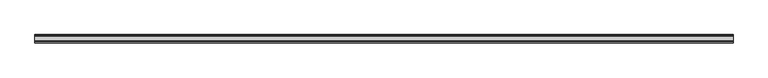
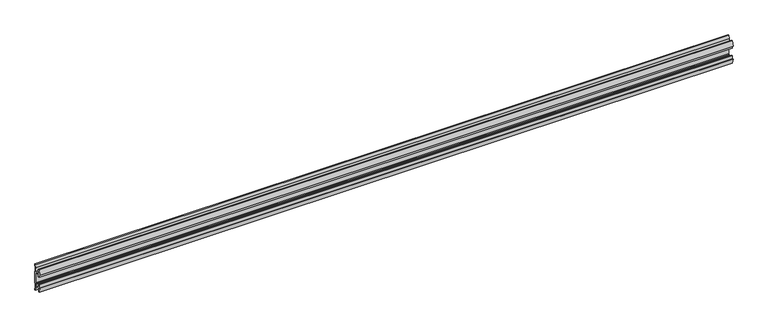
"""IFC4 building model written with IfcOpenShell, lengths in millimetres: furniture geometry."""

import ifcopenshell
import ifcopenshell.guid

model = None  # the IFC model being written
_history = None  # IfcOwnerHistory: only IFC2X3 demands one
_inside = {}  # id of a spatial element -> (the spatial element, [elements in it])
_under = {}  # id of a project, library or spatial element -> (it, [spatial elements below it])
_declared = {}  # id of a project -> (the project, [libraries it declares])
_typed = {}  # id of a type object -> (the type object, [elements of that type])
_made_of = {}  # id of a material, layer set ... -> (it, [elements and type objects made of it])


def new_model(schema):
    """Start an empty IFC model of exactly this schema.

    Asked for "IFC4X3", IfcOpenShell would pick the latest addendum, in which some entities
    have other attributes; the version numbers below select the first issue.
    IFC2X3 requires an IfcOwnerHistory on every rooted entity: one is made here for all.
    """
    global model, _history
    if schema == "IFC4X3":
        model = ifcopenshell.file(schema_version=(4, 3, 0, 0))
    else:
        model = ifcopenshell.file(schema=schema)
    _inside.clear()
    _under.clear()
    _declared.clear()
    _typed.clear()
    _made_of.clear()
    _history = None
    if model.schema == "IFC2X3":
        org = make("IfcOrganization", Name="unknown")
        user = make(
            "IfcPersonAndOrganization",
            ThePerson=make("IfcPerson", FamilyName="unknown"),
            TheOrganization=org,
        )
        app = make(
            "IfcApplication",
            ApplicationDeveloper=org,
            Version="unknown",
            ApplicationFullName="unknown",
            ApplicationIdentifier="unknown",
        )
        _history = make(
            "IfcOwnerHistory",
            OwningUser=user,
            OwningApplication=app,
            ChangeAction="ADDED",
            CreationDate=0,
        )
    return model


def make(cls, **values):
    """One entity of the class cls with the attributes given. An attribute that is None is left unset."""
    return model.create_entity(
        cls, **{name: value for name, value in values.items() if value is not None}
    )


def rooted(cls, **values):
    """An entity with a GlobalId (a new one), such as an element, a storey or a relation."""
    return make(cls, GlobalId=ifcopenshell.guid.new(), OwnerHistory=_history, **values)


def si_unit(unit_type, name, prefix=None):
    """IfcSIUnit, for example si_unit("LENGTHUNIT", "METRE", prefix="MILLI")."""
    return make("IfcSIUnit", UnitType=unit_type, Prefix=prefix, Name=name)


def assignment(units):
    """IfcUnitAssignment: the units of a project."""
    return None if units is None else make("IfcUnitAssignment", Units=units)


def point(xyz):
    """IfcCartesianPoint."""
    return None if xyz is None else make("IfcCartesianPoint", Coordinates=xyz)


def direction(xyz):
    """IfcDirection."""
    return None if xyz is None else make("IfcDirection", DirectionRatios=xyz)


def frame(location, z_axis=None, x_axis=None):
    """IfcAxis2Placement3D, a coordinate frame: its origin and axes. An axis left out is left unset."""
    return make(
        "IfcAxis2Placement3D",
        Location=point(location),
        Axis=direction(z_axis),
        RefDirection=direction(x_axis),
    )


def frame_2d(location, x_axis=None):
    """IfcAxis2Placement2D, a coordinate frame in the plane: its origin and x axis."""
    return make(
        "IfcAxis2Placement2D", Location=point(location), RefDirection=direction(x_axis)
    )


def origin():
    """The frame at (0, 0, 0) with its axes left unset."""
    return frame((0.0, 0.0, 0.0))


def place(relative_to, where):
    """IfcLocalPlacement: puts the frame where relative to a parent placement (None: the world)."""
    return make(
        "IfcLocalPlacement", PlacementRelTo=relative_to, RelativePlacement=where
    )


def context(
    kind, dimensions, precision=None, world=None, true_north=None, identifier=None
):
    """IfcGeometricRepresentationContext, for example the 3D "Model" context."""
    return make(
        "IfcGeometricRepresentationContext",
        ContextIdentifier=identifier,
        ContextType=kind,
        CoordinateSpaceDimension=dimensions,
        Precision=precision,
        WorldCoordinateSystem=world,
        TrueNorth=true_north,
    )


def project(units=None, contexts=None):
    """IfcProject with its units and contexts."""
    return rooted(
        "IfcProject",
        Name="project",
        RepresentationContexts=contexts,
        UnitsInContext=assignment(units),
    )


def spatial(cls, under=None, at=None, **own):
    """A site, building, storey or space (cls), placed at a placement, below another one or the project."""
    s = rooted(cls, ObjectPlacement=at, **own)
    if under is not None:
        _under.setdefault(under.id(), (under, []))[1].append(s)
    return s


def polyline(points):
    """IfcPolyline through the points."""
    return make("IfcPolyline", Points=[point(p) for p in points])


def circle_curve(where, radius):
    """IfcCircle in the frame where."""
    return make("IfcCircle", Position=where, Radius=radius)


def trimmed(basis, trim1, trim2, sense, master):
    """IfcTrimmedCurve: the piece of a basis curve between two trims."""
    return make(
        "IfcTrimmedCurve",
        BasisCurve=basis,
        Trim1=trim1,
        Trim2=trim2,
        SenseAgreement=sense,
        MasterRepresentation=master,
    )


def segment(curve, same_sense, transition):
    """IfcCompositeCurveSegment."""
    return make(
        "IfcCompositeCurveSegment",
        Transition=transition,
        SameSense=same_sense,
        ParentCurve=curve,
    )


def composite_curve(segments, self_intersect=None):
    """IfcCompositeCurve: segments joined end to end."""
    return make("IfcCompositeCurve", Segments=segments, SelfIntersect=self_intersect)


def outline(outer, holes=None, kind="AREA"):
    """IfcArbitraryClosedProfileDef: a profile drawn as a closed curve; with holes, ...WithVoids."""
    if holes is None:
        return make("IfcArbitraryClosedProfileDef", ProfileType=kind, OuterCurve=outer)
    return make(
        "IfcArbitraryProfileDefWithVoids",
        ProfileType=kind,
        OuterCurve=outer,
        InnerCurves=holes,
    )


def extrude(swept, where, along, depth):
    """IfcExtrudedAreaSolid: the profile swept, set in the frame where, extruded along a direction by depth."""
    return make(
        "IfcExtrudedAreaSolid",
        SweptArea=swept,
        Position=where,
        ExtrudedDirection=direction(along),
        Depth=depth,
    )


def shape(context_of_items, identifier, shape_type, items):
    """IfcShapeRepresentation: the items that make up one representation, for example the "Body"."""
    return make(
        "IfcShapeRepresentation",
        ContextOfItems=context_of_items,
        RepresentationIdentifier=identifier,
        RepresentationType=shape_type,
        Items=items,
    )


def source(mapping_origin, context_of_items, identifier, shape_type, items):
    """IfcRepresentationMap: a shape defined once, which mapped items show again and again."""
    return make(
        "IfcRepresentationMap",
        MappingOrigin=mapping_origin,
        MappedRepresentation=shape(context_of_items, identifier, shape_type, items),
    )


def transform(
    local_origin,
    x_axis=None,
    y_axis=None,
    z_axis=None,
    scale=None,
    scale2=None,
    scale3=None,
    uniform=True,
):
    """IfcCartesianTransformationOperator3D, or its non-uniform kind. x_axis, y_axis, z_axis: its Axis1, 2, 3."""
    if uniform:
        return make(
            "IfcCartesianTransformationOperator3D",
            Axis1=direction(x_axis),
            Axis2=direction(y_axis),
            LocalOrigin=point(local_origin),
            Scale=scale,
            Axis3=direction(z_axis),
        )
    return make(
        "IfcCartesianTransformationOperator3DnonUniform",
        Axis1=direction(x_axis),
        Axis2=direction(y_axis),
        LocalOrigin=point(local_origin),
        Scale=scale,
        Axis3=direction(z_axis),
        Scale2=scale2,
        Scale3=scale3,
    )


def mapped(mapping_source, mapping_target):
    """IfcMappedItem: shows the shape of a source again, moved by a transform."""
    return make(
        "IfcMappedItem", MappingSource=mapping_source, MappingTarget=mapping_target
    )


def made_of(thing, what):
    """Note that an element or type object is made of a material, layer set ...; save() writes the relation."""
    if what is not None:
        _made_of.setdefault(what.id(), (what, []))[1].append(thing)
    return thing


def element(
    cls,
    number,
    at=None,
    inside=None,
    cuts=None,
    type_object=None,
    material=None,
    context=None,
    identifier="Body",
    shape_type=None,
    held_by="IfcProductDefinitionShape",
    body=None,
    shapes=None,
    **own,
):
    """One element of the class cls, such as IfcWall. Its Tag is "e" and its number.

    at: its placement. inside: the storey or other place that contains it. cuts: it is an
    opening in that element (IfcRelVoidsElement). A single representation is given by context,
    identifier, shape_type and body (its items); several are given by shapes. held_by: the class
    of the entity that holds the representations. save() writes the other relations.
    """
    e = rooted(cls, Tag="e%d" % number, ObjectPlacement=at, **own)
    if body is not None:
        shapes = [shape(context, identifier, shape_type, body)]
    if shapes is not None:
        e.Representation = make(held_by, Representations=shapes)
    if inside is not None:
        _inside.setdefault(inside.id(), (inside, []))[1].append(e)
    if cuts is not None:
        rooted(
            "IfcRelVoidsElement", RelatingBuildingElement=cuts, RelatedOpeningElement=e
        )
    if type_object is not None:
        _typed.setdefault(type_object.id(), (type_object, []))[1].append(e)
    return made_of(e, material)


def aggregate(whole, parts):
    """IfcRelAggregates: a whole, such as a stair, and the parts it consists of."""
    return rooted("IfcRelAggregates", RelatingObject=whole, RelatedObjects=parts)


def save(model, path):
    """Write the relations noted so far, then the file.

    IfcRelAggregates (storeys below a building ...), IfcRelContainedInSpatialStructure (elements
    in a storey), IfcRelDefinesByType, IfcRelAssociatesMaterial and IfcRelDeclares: one each for
    every whole, place, type object, material and project.
    """
    for whole, parts in _under.values():
        aggregate(whole, parts)
    for where, things in _inside.values():
        rooted(
            "IfcRelContainedInSpatialStructure",
            RelatedElements=things,
            RelatingStructure=where,
        )
    for kind, things in _typed.values():
        rooted("IfcRelDefinesByType", RelatedObjects=things, RelatingType=kind)
    for what, things in _made_of.values():
        rooted("IfcRelAssociatesMaterial", RelatedObjects=things, RelatingMaterial=what)
    for by, libraries in _declared.values():
        rooted("IfcRelDeclares", RelatingContext=by, RelatedDefinitions=libraries)
    model.write(path)


def furniture_2748f485(model_context):
    return source(origin(), model_context, "Body", "SweptSolid", [
        extrude(outline(composite_curve([segment(polyline([(11.858323, 1787.0845986), (10.7166987, 1781.1251626)]), True, "CONTINUOUS"), segment(trimmed(circle_curve(frame_2d((88.1501042, 1766.291568)), 78.8414093), [point((10.7166987, 1781.1251626))], [point((9.4546262, 1771.0863112))], True, "CARTESIAN"), True, "CONTINUOUS"), segment(polyline([(9.4546262, 1771.0863112), (11.4773198, 1769.0636177), (11.4773198, 1736.1363823), (9.4546262, 1734.1136888)]), True, "CONTINUOUS"), segment(trimmed(circle_curve(frame_2d((88.1501042, 1738.908432)), 78.8414093), [point((9.4546262, 1734.1136888))], [point((10.7166987, 1724.0748374))], True, "CARTESIAN"), True, "CONTINUOUS"), segment(polyline([(10.7166987, 1724.0748374), (11.858323, 1718.1154014), (11.858323, 1714.5006449), (9.3183016, 1714.5006449), (7.5671861, 1723.641709), (6.9977776, 1730.3354675), (-5.9218281, 1730.3354675), (-5.9218281, 1719.7705449), (-8.4618484, 1719.7705449), (-11.7914971, 1733.2790462), (-8.4618484, 1732.2801511), (-8.4618484, 1741.8052306), (-5.9218281, 1741.8052306), (-5.9218281, 1732.915155), (6.7782802, 1732.915155), (6.7782802, 1735.469689), (8.8976323, 1737.3120136), (8.8976323, 1767.8910348), (6.7782802, 1769.7454685), (-5.2868484, 1769.7454685), (-5.2868484, 1763.3954144), (-8.4618484, 1763.3954144), (-8.4618484, 1772.9204939), (-11.858323, 1771.6504837), (-8.4618484, 1785.4301), (-5.2868484, 1785.4301), (-5.2868484, 1772.2854899), (6.7782802, 1772.2854899), (7.5671861, 1781.5595809), (9.3183016, 1790.7006449), (11.858323, 1790.7006449), (11.858323, 1787.0845986)]), True, "CONTINUOUS")], self_intersect=False)), frame((-965.2, 0.0, 0.0), z_axis=(1.0, 0.0, 0.0), x_axis=(0.0, 1.0, 0.0)), (0.0, 0.0, 1.0), 1930.4),
    ])


if __name__ == "__main__":
    model = new_model("IFC4")
    model_context = context("Model", 3, world=origin())
    ifc_project = project(units=[si_unit("LENGTHUNIT", "METRE", prefix="MILLI")], contexts=[model_context])
    site = spatial("IfcSite", under=ifc_project)
    building = spatial("IfcBuilding", under=site)
    placement = place(None, origin())
    furniture_shape = furniture_2748f485(model_context)
    element("IfcFurniture", 1, at=placement, inside=building, context=model_context, shape_type="MappedRepresentation", body=[
        mapped(furniture_shape, transform((0.0, 0.0, 0.0), x_axis=(1.0, 0.0, 0.0), y_axis=(0.0, 1.0, 0.0), z_axis=(0.0, 0.0, 1.0))),
    ])
    save(model, "model.ifc")
